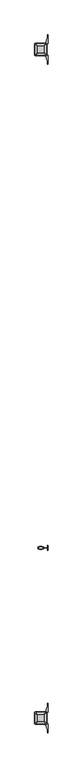
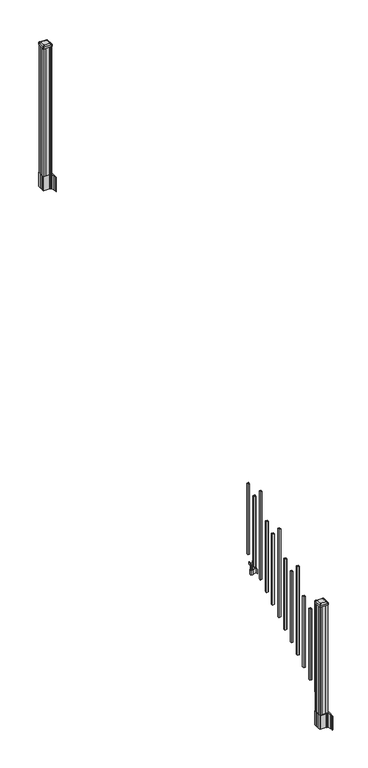
"""IFC4 building model written with IfcOpenShell, lengths in millimetres: railing geometry."""

from ifc_helpers import new_model, si_unit, point, frame, frame_2d, origin, place, context, project, spatial, polyline, circle_curve, trimmed, segment, composite_curve, outline, extrude, source, transform, mapped, element, save
from ifc_brep_helpers import plane_surface, extruded_surface, advanced_brep


def railing_e49dbabf(model_context):
    return source(origin(), model_context, "Body", "SolidModel", [
        extrude(outline(polyline([(10045.7407728, -128101.8918453), (10045.7407728, -128082.8418453), (10064.7907728, -128082.8418453), (10064.7907728, -128101.8918453), (10045.7407728, -128101.8918453)]), holes=[polyline([(10046.1376478, -128101.4949703), (10064.3938978, -128101.4949703), (10064.3938978, -128083.2387203), (10046.1376478, -128083.2387203), (10046.1376478, -128101.4949703)])]), frame((0.0, 0.0, 1089.6558781), z_axis=(0.0, 0.0, 1.0), x_axis=(1.0, 0.0, 0.0)), (0.0, 0.0, 1.0), 774.7041219),
        extrude(outline(polyline([(10065.9337726, -128149.2628453), (10065.9337726, -128146.7228453), (10105.3037728, -128146.7228453), (10105.3037728, -128149.2628453), (10065.9337726, -128149.2628453)])), frame((0.0, 0.0, 902.49375), z_axis=(0.0, 0.0, 1.0), x_axis=(1.0, 0.0, 0.0)), (0.0, 0.0, 1.0), 50.8),
        extrude(outline(polyline([(10105.3037728, -128167.0428453), (10105.3037728, -128128.9428453), (10107.8437728, -128128.9428453), (10107.8437728, -128167.0428453), (10105.3037728, -128167.0428453)])), frame((0.0, 0.0, 902.49375), z_axis=(0.0, 0.0, 1.0), x_axis=(1.0, 0.0, 0.0)), (0.0, 0.0, 1.0), 50.8),
        extrude(outline(polyline([(10044.597772, -128157.8988453), (10044.597772, -128138.0868453), (10065.9337726, -128138.0868453), (10065.9337726, -128157.8988453), (10044.597772, -128157.8988453)]), holes=[polyline([(10047.8997721, -128155.3588453), (10062.6317725, -128155.3588453), (10062.6317725, -128140.6268453), (10047.8997721, -128140.6268453), (10047.8997721, -128155.3588453)])]), frame((0.0, 0.0, 902.49375), z_axis=(0.0, 0.0, 1.0), x_axis=(1.0, 0.0, 0.0)), (0.0, 0.0, 1.0), 50.8),
        extrude(outline(polyline([(1042.0141479, 10073.4267716), (1042.0141479, 10071.394772), (1040.9981453, 10070.3787722), (1030.5623581, 10070.3787722), (1029.5463573, 10071.394772), (1017.555751, 10071.394772), (1016.7937519, 10070.6327729), (1016.7937519, 10039.8987717), (1017.555751, 10039.1367726), (1029.5463573, 10039.1367726), (1030.5623581, 10040.1527724), (1040.9981453, 10040.1527724), (1042.0141479, 10039.1367726), (1042.0141479, 10037.104773), (1041.2521469, 10036.342772), (1014.7617523, 10036.342772), (1013.9997513, 10037.104773), (1013.9997513, 10047.137772), (1013.2377512, 10047.8997721), (949.7377512, 10047.8997721), (949.7377512, 10062.6317725), (1013.2377512, 10062.6317725), (1013.9997513, 10063.3937726), (1013.9997513, 10073.4267716), (1014.7617523, 10074.1887726), (1041.2521469, 10074.1887726), (1042.0141479, 10073.4267716)]), holes=[polyline([(1013.9997513, 10051.8367724), (1013.9997513, 10058.6947722), (1013.2377512, 10059.4567723), (957.2307503, 10059.4567723), (956.4687531, 10058.6947751), (956.4687531, 10051.8367724), (957.2307531, 10051.0747723), (1013.2377512, 10051.0747723), (1013.9997513, 10051.8367724)])]), frame((0.0, -128155.3588453, 0.0), z_axis=(0.0, 1.0, 0.0), x_axis=(0.0, 0.0, 1.0)), (0.0, 0.0, 1.0), 14.732),
        extrude(outline(polyline([(10045.7407728, -128213.1438453), (10045.7407728, -128194.0938453), (10064.7907728, -128194.0938453), (10064.7907728, -128213.1438453), (10045.7407728, -128213.1438453)]), holes=[polyline([(10046.1376478, -128212.7469703), (10064.3938978, -128212.7469703), (10064.3938978, -128194.4907203), (10046.1376478, -128194.4907203), (10046.1376478, -128212.7469703)])]), frame((0.0, 0.0, 1020.1233781), z_axis=(0.0, 0.0, 1.0), x_axis=(1.0, 0.0, 0.0)), (0.0, 0.0, 1.0), 774.7041219),
        extrude(outline(polyline([(10045.7407728, -128324.3958453), (10045.7407728, -128305.3458453), (10064.7907728, -128305.3458453), (10064.7907728, -128324.3958453), (10045.7407728, -128324.3958453)]), holes=[polyline([(10046.1376478, -128323.9989703), (10064.3938978, -128323.9989703), (10064.3938978, -128305.7427203), (10046.1376478, -128305.7427203), (10046.1376478, -128323.9989703)])]), frame((0.0, 0.0, 950.5908781), z_axis=(0.0, 0.0, 1.0), x_axis=(1.0, 0.0, 0.0)), (0.0, 0.0, 1.0), 965.2041219),
        extrude(outline(polyline([(10045.7407728, -128435.6478453), (10045.7407728, -128416.5978453), (10064.7907728, -128416.5978453), (10064.7907728, -128435.6478453), (10045.7407728, -128435.6478453)]), holes=[polyline([(10046.1376478, -128435.2509703), (10064.3938978, -128435.2509703), (10064.3938978, -128416.9947203), (10046.1376478, -128416.9947203), (10046.1376478, -128435.2509703)])]), frame((0.0, 0.0, 881.0583781), z_axis=(0.0, 0.0, 1.0), x_axis=(1.0, 0.0, 0.0)), (0.0, 0.0, 1.0), 774.7041219),
        extrude(outline(polyline([(10045.7407728, -128546.8998453), (10045.7407728, -128527.8498453), (10064.7907728, -128527.8498453), (10064.7907728, -128546.8998453), (10045.7407728, -128546.8998453)]), holes=[polyline([(10046.1376478, -128546.5029703), (10064.3938978, -128546.5029703), (10064.3938978, -128528.2467203), (10046.1376478, -128528.2467203), (10046.1376478, -128546.5029703)])]), frame((0.0, 0.0, 811.5258781), z_axis=(0.0, 0.0, 1.0), x_axis=(1.0, 0.0, 0.0)), (0.0, 0.0, 1.0), 774.7041219),
        extrude(outline(polyline([(10045.7407728, -128658.1518453), (10045.7407728, -128639.1018453), (10064.7907728, -128639.1018453), (10064.7907728, -128658.1518453), (10045.7407728, -128658.1518453)]), holes=[polyline([(10046.1376478, -128657.7549703), (10064.3938978, -128657.7549703), (10064.3938978, -128639.4987203), (10046.1376478, -128639.4987203), (10046.1376478, -128657.7549703)])]), frame((0.0, 0.0, 741.9933781), z_axis=(0.0, 0.0, 1.0), x_axis=(1.0, 0.0, 0.0)), (0.0, 0.0, 1.0), 965.2041219),
        extrude(outline(polyline([(10045.7407728, -128769.4038453), (10045.7407728, -128750.3538453), (10064.7907728, -128750.3538453), (10064.7907728, -128769.4038453), (10045.7407728, -128769.4038453)]), holes=[polyline([(10046.1376478, -128769.0069703), (10064.3938978, -128769.0069703), (10064.3938978, -128750.7507203), (10046.1376478, -128750.7507203), (10046.1376478, -128769.0069703)])]), frame((0.0, 0.0, 672.4608781), z_axis=(0.0, 0.0, 1.0), x_axis=(1.0, 0.0, 0.0)), (0.0, 0.0, 1.0), 774.7041219),
        extrude(outline(polyline([(10045.7407728, -128880.6558453), (10045.7407728, -128861.6058453), (10064.7907728, -128861.6058453), (10064.7907728, -128880.6558453), (10045.7407728, -128880.6558453)]), holes=[polyline([(10046.1376478, -128880.2589703), (10064.3938978, -128880.2589703), (10064.3938978, -128862.0027203), (10046.1376478, -128862.0027203), (10046.1376478, -128880.2589703)])]), frame((0.0, 0.0, 602.9283781), z_axis=(0.0, 0.0, 1.0), x_axis=(1.0, 0.0, 0.0)), (0.0, 0.0, 1.0), 774.7041219),
        extrude(outline(polyline([(10045.7407728, -128991.9078453), (10045.7407728, -128972.8578453), (10064.7907728, -128972.8578453), (10064.7907728, -128991.9078453), (10045.7407728, -128991.9078453)]), holes=[polyline([(10046.1376478, -128991.5109703), (10064.3938978, -128991.5109703), (10064.3938978, -128973.2547203), (10046.1376478, -128973.2547203), (10046.1376478, -128991.5109703)])]), frame((0.0, 0.0, 533.3958781), z_axis=(0.0, 0.0, 1.0), x_axis=(1.0, 0.0, 0.0)), (0.0, 0.0, 1.0), 965.2041219),
        extrude(outline(polyline([(10045.7407728, -129103.1598453), (10045.7407728, -129084.1098453), (10064.7907728, -129084.1098453), (10064.7907728, -129103.1598453), (10045.7407728, -129103.1598453)]), holes=[polyline([(10046.1376478, -129102.7629703), (10064.3938978, -129102.7629703), (10064.3938978, -129084.5067203), (10046.1376478, -129084.5067203), (10046.1376478, -129102.7629703)])]), frame((0.0, 0.0, 463.8633781), z_axis=(0.0, 0.0, 1.0), x_axis=(1.0, 0.0, 0.0)), (0.0, 0.0, 1.0), 774.7041219),
        extrude(outline(polyline([(10045.7407728, -129214.4118453), (10045.7407728, -129195.3618453), (10064.7907728, -129195.3618453), (10064.7907728, -129214.4118453), (10045.7407728, -129214.4118453)]), holes=[polyline([(10046.1376478, -129214.0149703), (10064.3938978, -129214.0149703), (10064.3938978, -129195.7587203), (10046.1376478, -129195.7587203), (10046.1376478, -129214.0149703)])]), frame((0.0, 0.0, 394.3308781), z_axis=(0.0, 0.0, 1.0), x_axis=(1.0, 0.0, 0.0)), (0.0, 0.0, 1.0), 774.7041219),
        extrude(outline(polyline([(10045.7407728, -129325.6638453), (10045.7407728, -129306.6138453), (10064.7907728, -129306.6138453), (10064.7907728, -129325.6638453), (10045.7407728, -129325.6638453)]), holes=[polyline([(10046.1376478, -129325.2669703), (10064.3938978, -129325.2669703), (10064.3938978, -129307.0107203), (10046.1376478, -129307.0107203), (10046.1376478, -129325.2669703)])]), frame((0.0, 0.0, 324.7983781), z_axis=(0.0, 0.0, 1.0), x_axis=(1.0, 0.0, 0.0)), (0.0, 0.0, 1.0), 965.2041219),
        extrude(outline(polyline([(10094.9532728, -124491.5358453), (10075.3317728, -124491.5358453), (10074.5697728, -124489.9483453), (10035.9617728, -124489.9483453), (10035.1997728, -124491.5358453), (10015.5782728, -124491.5358453), (10013.9907728, -124489.9483453), (10013.9907728, -124470.3268453), (10015.5782728, -124469.5648453), (10015.5782728, -124430.9568453), (10013.9907728, -124430.1948453), (10013.9907728, -124410.5733453), (10015.5782728, -124408.9858453), (10035.1997728, -124408.9858453), (10035.9617728, -124410.5733453), (10074.5697728, -124410.5733453), (10075.3317728, -124408.9858453), (10094.9532728, -124408.9858453), (10096.5407728, -124410.5733453), (10096.5407728, -124430.1948453), (10094.9532728, -124430.9568453), (10094.9532728, -124469.5648453), (10096.5407728, -124470.3268453), (10096.5407728, -124489.9483453), (10094.9532728, -124491.5358453)])), frame((0.0, 0.0, 3048.0), z_axis=(0.0, 0.0, 1.0), x_axis=(1.0, 0.0, 0.0)), (0.0, 0.0, 1.0), 1400.140513),
        extrude(outline(composite_curve([segment(polyline([(10012.5302728, -124467.6469401), (10012.5302728, -124432.8747504), (10010.9427728, -124432.1127504), (10010.9427728, -124409.3108224), (10014.3157498, -124405.9378453), (10075.7754206, -124405.9378453), (10075.7754206, -124405.0170953), (10081.0929645, -124405.0170953), (10081.0929645, -124403.5628406), (10086.1774942, -124403.5628406), (10086.1774942, -124402.2788168), (10087.8447665, -124402.2788168)]), True, "CONTINUOUS"), segment(trimmed(circle_curve(frame_2d((10087.8447665, -124395.2193569)), 7.0594599), [point((10087.8447665, -124402.2788168))], [point((10094.6120293, -124397.2293636))], True, "CARTESIAN"), True, "CONTINUOUS"), segment(polyline([(10094.6120293, -124397.2293636), (10102.4862236, -124370.7186345)]), True, "CONTINUOUS"), segment(trimmed(circle_curve(frame_2d((10047.7017103, -124354.4465848)), 57.15), [point((10102.4862236, -124370.7186345))], [point((10104.8517103, -124354.4465848))], True, "CARTESIAN"), True, "CONTINUOUS"), segment(polyline([(10104.8517103, -124354.4465848), (10104.8517103, -124342.4378453), (10107.8517103, -124342.4378453), (10107.8517103, -124407.5253453), (10099.5887728, -124418.8636366), (10099.5887728, -124432.1127504), (10098.0012728, -124432.8747504), (10098.0012728, -124467.6469401), (10099.5887728, -124468.4089401), (10099.5887728, -124481.658054), (10107.8517103, -124492.9963453), (10107.8517103, -124558.0838453), (10104.8517103, -124558.0838453), (10104.8517103, -124546.0751057)]), True, "CONTINUOUS"), segment(trimmed(circle_curve(frame_2d((10047.7017103, -124546.0751057)), 57.15), [point((10104.8517103, -124546.0751057))], [point((10102.4862236, -124529.8030561))], True, "CARTESIAN"), True, "CONTINUOUS"), segment(polyline([(10102.4862236, -124529.8030561), (10094.6120293, -124503.292327)]), True, "CONTINUOUS"), segment(trimmed(circle_curve(frame_2d((10087.8447665, -124505.3023337)), 7.0594599), [point((10094.6120293, -124503.292327))], [point((10087.8447665, -124498.2428738))], True, "CARTESIAN"), True, "CONTINUOUS"), segment(polyline([(10087.8447665, -124498.2428738), (10086.1774942, -124498.2428738), (10086.1774942, -124496.95885), (10081.0929645, -124496.95885), (10081.0929645, -124495.5045953), (10075.7754206, -124495.5045953), (10075.7754206, -124494.5838453), (10014.3157498, -124494.5838453), (10010.9427728, -124491.2108682), (10010.9427728, -124468.4089401), (10012.5302728, -124467.6469401)]), True, "CONTINUOUS")], self_intersect=False), holes=[polyline([(10096.5407728, -124410.5733453), (10094.9532728, -124408.9858453), (10058.0289902, -124408.9858453), (10015.5782728, -124408.9858453), (10013.9907728, -124410.5733453), (10013.9907728, -124489.9483453), (10015.5782728, -124491.5358453), (10058.0289902, -124491.5358453), (10094.9532728, -124491.5358453), (10096.5407728, -124489.9483453), (10096.5407728, -124410.5733453)])]), frame((0.0, 0.0, 2895.6), z_axis=(0.0, 0.0, 1.0), x_axis=(1.0, 0.0, 0.0)), (0.0, 0.0, 1.0), 152.4),
        advanced_brep(
        [(10081.0626478, -124479.2327203, 4476.715513), (10084.2376478, -124476.0577203, 4476.715513), (10084.2376478, -124424.4639703, 4476.715513), (10081.0626478, -124421.2889703, 4476.715513), (10029.4688978, -124421.2889703, 4476.715513), (10026.2938978, -124424.4639703, 4476.715513), (10026.2938978, -124476.0577203, 4476.715513), (10029.4688978, -124479.2327203, 4476.715513), (10097.3345228, -124495.5045953, 4465.412513), (10013.1970228, -124495.5045953, 4465.412513), (10010.0220228, -124492.3295953, 4465.412513), (10010.0220228, -124408.1920953, 4465.412513), (10013.1970228, -124405.0170953, 4465.412513), (10097.3345228, -124405.0170953, 4465.412513), (10100.5095228, -124408.1920953, 4465.412513), (10100.5095228, -124492.3295953, 4465.412513)],
        [
            (0, 1, circle_curve(frame((10081.0626478, -124476.0577203, 4476.715513), z_axis=(0.0, 0.0, 1.0), x_axis=(0.0, 1.0, 0.0)), 3.175)),
            (1, 2),
            (2, 3, circle_curve(frame((10081.0626478, -124424.4639703, 4476.715513), z_axis=(0.0, 0.0, 1.0), x_axis=(0.0, 1.0, 0.0)), 3.175)),
            (3, 4),
            (4, 5, circle_curve(frame((10029.4688978, -124424.4639703, 4476.715513), z_axis=(0.0, 0.0, 1.0), x_axis=(0.0, 1.0, 0.0)), 3.175)),
            (5, 6),
            (6, 7, circle_curve(frame((10029.4688978, -124476.0577203, 4476.715513), z_axis=(0.0, 0.0, 1.0), x_axis=(0.0, 1.0, 0.0)), 3.175)),
            (7, 0),
            (8, 9),
            (9, 10, circle_curve(frame((10013.1970228, -124492.3295953, 4465.412513), z_axis=(0.0, 0.0, -1.0), x_axis=(0.0, 1.0, 0.0)), 3.175)),
            (10, 11),
            (11, 12, circle_curve(frame((10013.1970228, -124408.1920953, 4465.412513), z_axis=(0.0, 0.0, -1.0), x_axis=(0.0, 1.0, 0.0)), 3.175)),
            (12, 13),
            (13, 14, circle_curve(frame((10097.3345228, -124408.1920953, 4465.412513), z_axis=(0.0, 0.0, -1.0), x_axis=(0.0, 1.0, 0.0)), 3.175)),
            (14, 15),
            (15, 8, circle_curve(frame((10097.3345228, -124492.3295953, 4465.412513), z_axis=(0.0, 0.0, -1.0), x_axis=(0.0, 1.0, 0.0)), 3.175)),
            (15, 1),
            (0, 8),
            (14, 2),
            (13, 3),
            (12, 4),
            (11, 5),
            (10, 6),
            (9, 7),
        ],
        [
            plane_surface(frame((10055.2657728, -124450.2608453, 4476.715513), z_axis=(0.0, 0.0, 1.0), x_axis=(1.0, 0.0, 0.0))),
            plane_surface(frame((10055.2657728, -124450.2608453, 4465.412513), z_axis=(0.0, 0.0, -1.0), x_axis=(1.0, 0.0, 0.0))),
            extruded_surface(trimmed(circle_curve(frame((10097.3345228, -124492.3295953, 4465.412513), z_axis=(0.0, 0.0, 1.0), x_axis=(0.0, 1.0, 0.0)), 3.175), [point((10097.3345228, -124495.5045953, 4465.412513))], [point((10100.5095228, -124492.3295953, 4465.412513))], True, "CARTESIAN"), (-16.271875000000364, 16.27187500000582, 11.302999999999884), 25.637972638870036),
            plane_surface(frame((10100.5095228, -124450.2608453, 4465.412513), z_axis=(0.5705009161540685, 0.0, 0.8212969649690474), x_axis=(0.0, 1.0, 0.0))),
            extruded_surface(trimmed(circle_curve(frame((10097.3345228, -124408.1920953, 4465.412513), z_axis=(0.0, 0.0, 1.0), x_axis=(0.0, 1.0, 0.0)), 3.175), [point((10100.5095228, -124408.1920953, 4465.412513))], [point((10097.3345228, -124405.0170953, 4465.412513))], True, "CARTESIAN"), (-16.271875000000364, -16.27187500000582, 11.302999999999884), 25.637972638870036),
            plane_surface(frame((10055.2657728, -124405.0170953, 4465.412513), z_axis=(0.0, 0.5705009161540291, 0.8212969649690747), x_axis=(-1.0, 0.0, 0.0))),
            extruded_surface(trimmed(circle_curve(frame((10013.1970228, -124408.1920953, 4465.412513), z_axis=(0.0, 0.0, 1.0), x_axis=(0.0, 1.0, 0.0)), 3.175), [point((10013.1970228, -124405.0170953, 4465.412513))], [point((10010.0220228, -124408.1920953, 4465.412513))], True, "CARTESIAN"), (16.271875000000364, -16.27187500000582, 11.302999999999884), 25.637972638870036),
            plane_surface(frame((10010.0220228, -124450.2608453, 4465.412513), z_axis=(-0.5705009161540235, 0.0, 0.8212969649690786), x_axis=(0.0, -1.0, 0.0))),
            extruded_surface(trimmed(circle_curve(frame((10013.1970228, -124492.3295953, 4465.412513), z_axis=(0.0, 0.0, 1.0), x_axis=(0.0, 1.0, 0.0)), 3.175), [point((10010.0220228, -124492.3295953, 4465.412513))], [point((10013.1970228, -124495.5045953, 4465.412513))], True, "CARTESIAN"), (16.271875000000364, 16.27187500000582, 11.302999999999884), 25.637972638870036),
            plane_surface(frame((10055.2657728, -124495.5045953, 4465.412513), z_axis=(0.0, -0.570500916154034, 0.8212969649690713), x_axis=(1.0, 0.0, 0.0))),
        ],
        [
            (0, [[1, 2, 3, 4, 5, 6, 7, 8]]),
            (1, [[9, 10, 11, 12, 13, 14, 15, 16]]),
            (2, [[-16, 17, -1, 18]]),
            (3, [[-15, 19, -2, -17]]),
            (4, [[-14, 20, -3, -19]]),
            (5, [[-13, 21, -4, -20]]),
            (6, [[-12, 22, -5, -21]]),
            (7, [[-11, 23, -6, -22]]),
            (8, [[-10, 24, -7, -23]]),
            (9, [[-9, -18, -8, -24]]),
        ],
    ),
        extrude(outline(composite_curve([segment(polyline([(10097.3345228, -124495.5045953), (10013.1970228, -124495.5045953)]), True, "CONTINUOUS"), segment(trimmed(circle_curve(frame_2d((10013.1970228, -124492.3295953)), 3.175), [point((10013.1970228, -124495.5045953))], [point((10010.0220228, -124492.3295953))], False, "CARTESIAN"), True, "CONTINUOUS"), segment(polyline([(10010.0220228, -124492.3295953), (10010.0220228, -124408.1920953)]), True, "CONTINUOUS"), segment(trimmed(circle_curve(frame_2d((10013.1970228, -124408.1920953)), 3.175), [point((10010.0220228, -124408.1920953))], [point((10013.1970228, -124405.0170953))], False, "CARTESIAN"), True, "CONTINUOUS"), segment(polyline([(10013.1970228, -124405.0170953), (10097.3345228, -124405.0170953)]), True, "CONTINUOUS"), segment(trimmed(circle_curve(frame_2d((10097.3345228, -124408.1920953)), 3.175), [point((10097.3345228, -124405.0170953))], [point((10100.5095228, -124408.1920953))], False, "CARTESIAN"), True, "CONTINUOUS"), segment(polyline([(10100.5095228, -124408.1920953), (10100.5095228, -124492.3295953)]), True, "CONTINUOUS"), segment(trimmed(circle_curve(frame_2d((10097.3345228, -124492.3295953)), 3.175), [point((10100.5095228, -124492.3295953))], [point((10097.3345228, -124495.5045953))], False, "CARTESIAN"), True, "CONTINUOUS")], self_intersect=False)), frame((0.0, 0.0, 4448.140513), z_axis=(0.0, 0.0, 1.0), x_axis=(1.0, 0.0, 0.0)), (0.0, 0.0, 1.0), 17.272),
        extrude(outline(composite_curve([segment(polyline([(10012.5302728, -129427.2509401), (10012.5302728, -129392.4787504), (10010.9427728, -129391.7167504), (10010.9427728, -129368.9148224), (10014.3157498, -129365.5418453), (10075.7754206, -129365.5418453), (10075.7754206, -129364.6210953), (10081.0929645, -129364.6210953), (10081.0929645, -129363.1668406), (10086.1774942, -129363.1668406), (10086.1774942, -129361.8828168), (10087.8447665, -129361.8828168)]), True, "CONTINUOUS"), segment(trimmed(circle_curve(frame_2d((10087.8447665, -129354.8233569)), 7.0594599), [point((10087.8447665, -129361.8828168))], [point((10094.6120293, -129356.8333636))], True, "CARTESIAN"), True, "CONTINUOUS"), segment(polyline([(10094.6120293, -129356.8333636), (10102.4862236, -129330.3226345)]), True, "CONTINUOUS"), segment(trimmed(circle_curve(frame_2d((10047.7017103, -129314.0505848)), 57.15), [point((10102.4862236, -129330.3226345))], [point((10104.8517103, -129314.0505848))], True, "CARTESIAN"), True, "CONTINUOUS"), segment(polyline([(10104.8517103, -129314.0505848), (10104.8517103, -129302.0418453), (10107.8517103, -129302.0418453), (10107.8517103, -129367.1293453), (10099.5887728, -129378.4676366), (10099.5887728, -129391.7167504), (10098.0012728, -129392.4787504), (10098.0012728, -129427.2509401), (10099.5887728, -129428.0129401), (10099.5887728, -129441.262054), (10107.8517103, -129452.6003453), (10107.8517103, -129517.6878453), (10104.8517103, -129517.6878453), (10104.8517103, -129505.6791057)]), True, "CONTINUOUS"), segment(trimmed(circle_curve(frame_2d((10047.7017103, -129505.6791057)), 57.15), [point((10104.8517103, -129505.6791057))], [point((10102.4862236, -129489.4070561))], True, "CARTESIAN"), True, "CONTINUOUS"), segment(polyline([(10102.4862236, -129489.4070561), (10094.6120293, -129462.896327)]), True, "CONTINUOUS"), segment(trimmed(circle_curve(frame_2d((10087.8447665, -129464.9063337)), 7.0594599), [point((10094.6120293, -129462.896327))], [point((10087.8447665, -129457.8468738))], True, "CARTESIAN"), True, "CONTINUOUS"), segment(polyline([(10087.8447665, -129457.8468738), (10086.1774942, -129457.8468738), (10086.1774942, -129456.56285), (10081.0929645, -129456.56285), (10081.0929645, -129455.1085953), (10075.7754206, -129455.1085953), (10075.7754206, -129454.1878453), (10014.3157498, -129454.1878453), (10010.9427728, -129450.8148682), (10010.9427728, -129428.0129401), (10012.5302728, -129427.2509401)]), True, "CONTINUOUS")], self_intersect=False), holes=[polyline([(10096.5407728, -129370.1773453), (10094.9532728, -129368.5898453), (10058.0289902, -129368.5898453), (10015.5782728, -129368.5898453), (10013.9907728, -129370.1773453), (10013.9907728, -129449.5523453), (10015.5782728, -129451.1398453), (10058.0289902, -129451.1398453), (10094.9532728, -129451.1398453), (10096.5407728, -129449.5523453), (10096.5407728, -129370.1773453)])]), frame((0.0, 0.0, 12.22375), z_axis=(0.0, 0.0, 1.0), x_axis=(1.0, 0.0, 0.0)), (0.0, 0.0, 1.0), 152.4),
        advanced_brep(
        [(10081.0626478, -129438.8367203, 1376.963013), (10084.2376478, -129435.6617203, 1376.963013), (10084.2376478, -129384.0679703, 1376.963013), (10081.0626478, -129380.8929703, 1376.963013), (10029.4688978, -129380.8929703, 1376.963013), (10026.2938978, -129384.0679703, 1376.963013), (10026.2938978, -129435.6617203, 1376.963013), (10029.4688978, -129438.8367203, 1376.963013), (10097.3345228, -129455.1085953, 1365.660013), (10013.1970228, -129455.1085953, 1365.660013), (10010.0220228, -129451.9335953, 1365.660013), (10010.0220228, -129367.7960953, 1365.660013), (10013.1970228, -129364.6210953, 1365.660013), (10097.3345228, -129364.6210953, 1365.660013), (10100.5095228, -129367.7960953, 1365.660013), (10100.5095228, -129451.9335953, 1365.660013)],
        [
            (0, 1, circle_curve(frame((10081.0626478, -129435.6617203, 1376.963013), z_axis=(0.0, 0.0, 1.0), x_axis=(0.0, 1.0, 0.0)), 3.175)),
            (1, 2),
            (2, 3, circle_curve(frame((10081.0626478, -129384.0679703, 1376.963013), z_axis=(0.0, 0.0, 1.0), x_axis=(0.0, 1.0, 0.0)), 3.175)),
            (3, 4),
            (4, 5, circle_curve(frame((10029.4688978, -129384.0679703, 1376.963013), z_axis=(0.0, 0.0, 1.0), x_axis=(0.0, 1.0, 0.0)), 3.175)),
            (5, 6),
            (6, 7, circle_curve(frame((10029.4688978, -129435.6617203, 1376.963013), z_axis=(0.0, 0.0, 1.0), x_axis=(0.0, 1.0, 0.0)), 3.175)),
            (7, 0),
            (8, 9),
            (9, 10, circle_curve(frame((10013.1970228, -129451.9335953, 1365.660013), z_axis=(0.0, 0.0, -1.0), x_axis=(0.0, 1.0, 0.0)), 3.175)),
            (10, 11),
            (11, 12, circle_curve(frame((10013.1970228, -129367.7960953, 1365.660013), z_axis=(0.0, 0.0, -1.0), x_axis=(0.0, 1.0, 0.0)), 3.175)),
            (12, 13),
            (13, 14, circle_curve(frame((10097.3345228, -129367.7960953, 1365.660013), z_axis=(0.0, 0.0, -1.0), x_axis=(0.0, 1.0, 0.0)), 3.175)),
            (14, 15),
            (15, 8, circle_curve(frame((10097.3345228, -129451.9335953, 1365.660013), z_axis=(0.0, 0.0, -1.0), x_axis=(0.0, 1.0, 0.0)), 3.175)),
            (15, 1),
            (0, 8),
            (14, 2),
            (13, 3),
            (12, 4),
            (11, 5),
            (10, 6),
            (9, 7),
        ],
        [
            plane_surface(frame((10055.2657728, -129409.8648453, 1376.963013), z_axis=(0.0, 0.0, 1.0), x_axis=(1.0, 0.0, 0.0))),
            plane_surface(frame((10055.2657728, -129409.8648453, 1365.660013), z_axis=(0.0, 0.0, -1.0), x_axis=(1.0, 0.0, 0.0))),
            extruded_surface(trimmed(circle_curve(frame((10097.3345228, -129451.9335953, 1365.660013), z_axis=(0.0, 0.0, 1.0), x_axis=(0.0, 1.0, 0.0)), 3.175), [point((10097.3345228, -129455.1085953, 1365.660013))], [point((10100.5095228, -129451.9335953, 1365.660013))], True, "CARTESIAN"), (-16.271875000000364, 16.27187499999127, 11.303000000000111), 25.6379726388609),
            plane_surface(frame((10100.5095228, -129409.8648453, 1365.660013), z_axis=(0.5705009161540778, 0.0, 0.8212969649690408), x_axis=(0.0, 1.0, 0.0))),
            extruded_surface(trimmed(circle_curve(frame((10097.3345228, -129367.7960953, 1365.660013), z_axis=(0.0, 0.0, 1.0), x_axis=(0.0, 1.0, 0.0)), 3.175), [point((10100.5095228, -129367.7960953, 1365.660013))], [point((10097.3345228, -129364.6210953, 1365.660013))], True, "CARTESIAN"), (-16.271875000000364, -16.27187500000582, 11.303000000000111), 25.63797263887014),
            plane_surface(frame((10055.2657728, -129364.6210953, 1365.660013), z_axis=(0.0, 0.5705009161540291, 0.8212969649690747), x_axis=(-1.0, 0.0, 0.0))),
            extruded_surface(trimmed(circle_curve(frame((10013.1970228, -129367.7960953, 1365.660013), z_axis=(0.0, 0.0, 1.0), x_axis=(0.0, 1.0, 0.0)), 3.175), [point((10013.1970228, -129364.6210953, 1365.660013))], [point((10010.0220228, -129367.7960953, 1365.660013))], True, "CARTESIAN"), (16.271875000000364, -16.27187500000582, 11.303000000000111), 25.63797263887014),
            plane_surface(frame((10010.0220228, -129409.8648453, 1365.660013), z_axis=(-0.5705009161540142, 0.0, 0.8212969649690851), x_axis=(0.0, -1.0, 0.0))),
            extruded_surface(trimmed(circle_curve(frame((10013.1970228, -129451.9335953, 1365.660013), z_axis=(0.0, 0.0, 1.0), x_axis=(0.0, 1.0, 0.0)), 3.175), [point((10010.0220228, -129451.9335953, 1365.660013))], [point((10013.1970228, -129455.1085953, 1365.660013))], True, "CARTESIAN"), (16.271875000000364, 16.27187499999127, 11.303000000000111), 25.6379726388609),
            plane_surface(frame((10055.2657728, -129455.1085953, 1365.660013), z_axis=(0.0, -0.570500916154034, 0.8212969649690713), x_axis=(1.0, 0.0, 0.0))),
        ],
        [
            (0, [[1, 2, 3, 4, 5, 6, 7, 8]]),
            (1, [[9, 10, 11, 12, 13, 14, 15, 16]]),
            (2, [[-16, 17, -1, 18]]),
            (3, [[-15, 19, -2, -17]]),
            (4, [[-14, 20, -3, -19]]),
            (5, [[-13, 21, -4, -20]]),
            (6, [[-12, 22, -5, -21]]),
            (7, [[-11, 23, -6, -22]]),
            (8, [[-10, 24, -7, -23]]),
            (9, [[-9, -18, -8, -24]]),
        ],
    ),
        extrude(outline(composite_curve([segment(polyline([(10097.3345228, -129455.1085953), (10013.1970228, -129455.1085953)]), True, "CONTINUOUS"), segment(trimmed(circle_curve(frame_2d((10013.1970228, -129451.9335953)), 3.175), [point((10013.1970228, -129455.1085953))], [point((10010.0220228, -129451.9335953))], False, "CARTESIAN"), True, "CONTINUOUS"), segment(polyline([(10010.0220228, -129451.9335953), (10010.0220228, -129367.7960953)]), True, "CONTINUOUS"), segment(trimmed(circle_curve(frame_2d((10013.1970228, -129367.7960953)), 3.175), [point((10010.0220228, -129367.7960953))], [point((10013.1970228, -129364.6210953))], False, "CARTESIAN"), True, "CONTINUOUS"), segment(polyline([(10013.1970228, -129364.6210953), (10097.3345228, -129364.6210953)]), True, "CONTINUOUS"), segment(trimmed(circle_curve(frame_2d((10097.3345228, -129367.7960953)), 3.175), [point((10097.3345228, -129364.6210953))], [point((10100.5095228, -129367.7960953))], False, "CARTESIAN"), True, "CONTINUOUS"), segment(polyline([(10100.5095228, -129367.7960953), (10100.5095228, -129451.9335953)]), True, "CONTINUOUS"), segment(trimmed(circle_curve(frame_2d((10097.3345228, -129451.9335953)), 3.175), [point((10100.5095228, -129451.9335953))], [point((10097.3345228, -129455.1085953))], False, "CARTESIAN"), True, "CONTINUOUS")], self_intersect=False)), frame((0.0, 0.0, 1348.388013), z_axis=(0.0, 0.0, 1.0), x_axis=(1.0, 0.0, 0.0)), (0.0, 0.0, 1.0), 17.272),
        extrude(outline(polyline([(10094.9532728, -129451.1398453), (10075.3317728, -129451.1398453), (10074.5697728, -129449.5523453), (10035.9617728, -129449.5523453), (10035.1997728, -129451.1398453), (10015.5782728, -129451.1398453), (10013.9907728, -129449.5523453), (10013.9907728, -129429.9308453), (10015.5782728, -129429.1688453), (10015.5782728, -129390.5608453), (10013.9907728, -129389.7988453), (10013.9907728, -129370.1773453), (10015.5782728, -129368.5898453), (10035.1997728, -129368.5898453), (10035.9617728, -129370.1773453), (10074.5697728, -129370.1773453), (10075.3317728, -129368.5898453), (10094.9532728, -129368.5898453), (10096.5407728, -129370.1773453), (10096.5407728, -129389.7988453), (10094.9532728, -129390.5608453), (10094.9532728, -129429.1688453), (10096.5407728, -129429.9308453), (10096.5407728, -129449.5523453), (10094.9532728, -129451.1398453)])), frame((0.0, 0.0, 164.62375), z_axis=(0.0, 0.0, 1.0), x_axis=(1.0, 0.0, 0.0)), (0.0, 0.0, 1.0), 1183.764263),
    ])


if __name__ == "__main__":
    model = new_model("IFC4")
    model_context = context("Model", 3, world=origin())
    ifc_project = project(units=[si_unit("LENGTHUNIT", "METRE", prefix="MILLI")], contexts=[model_context])
    site = spatial("IfcSite", under=ifc_project)
    building = spatial("IfcBuilding", under=site)
    placement = place(None, origin())
    railing_shape = railing_e49dbabf(model_context)
    element("IfcRailing", 1, at=placement, inside=building, context=model_context, shape_type="MappedRepresentation", body=[
        mapped(railing_shape, transform((0.0, 0.0, 0.0), x_axis=(1.0, 0.0, 0.0), y_axis=(0.0, 1.0, 0.0), z_axis=(0.0, 0.0, 1.0))),
    ])
    save(model, "model.ifc")
